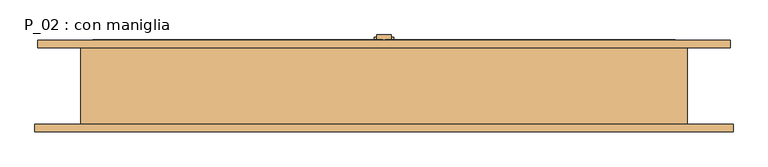
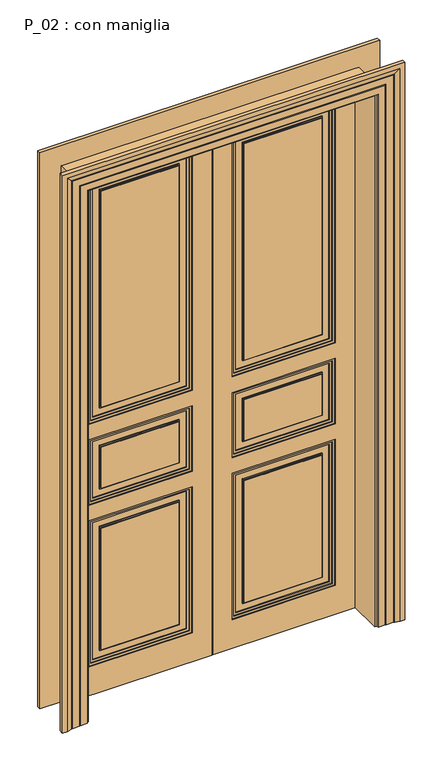
"""IFC4 building model written with IfcOpenShell, lengths in millimetres: door geometry, P_02 : con maniglia."""

from ifc_helpers import new_model, si_unit, frame, origin, origin_with_axes, place, context, project, spatial, polyline, outline, extrude, faceted_brep, source, transform, mapped, element, save


def p_02_con_maniglia_dd6362c5(model_context):
    return source(origin(), model_context, "Body", "SolidModel", [
        extrude(outline(polyline([(0.0, -615.0), (0.0, -610.0), (2395.0, -610.0), (2395.0, -2.5), (2400.0, -2.5), (2400.0, -615.0), (0.0, -615.0)])), frame((0.0, 85.0, 0.0), z_axis=(0.0, 1.0, 0.0), x_axis=(0.0, 0.0, 1.0)), (0.0, 0.0, 1.0), 5.0),
        extrude(outline(polyline([(0.0, 610.0), (0.0, 615.0), (2400.0, 615.0), (2400.0, 2.5), (2395.0, 2.5), (2395.0, 610.0), (0.0, 610.0)])), frame((0.0, 85.0, 0.0), z_axis=(0.0, 1.0, 0.0), x_axis=(0.0, 0.0, 1.0)), (0.0, 0.0, 1.0), 5.0),
        extrude(outline(polyline([(2.5, 97.0), (20.0, 97.0), (20.0, 90.0), (2.5, 90.0), (2.5, 97.0)])), frame((0.0, 0.0, 2395.0), z_axis=(0.0, 0.0, 1.0), x_axis=(1.0, 0.0, 0.0)), (0.0, 0.0, 1.0), 5.0),
        extrude(outline(polyline([(-2.5, 97.0), (-2.5, 90.0), (-20.0, 90.0), (-20.0, 97.0), (-2.5, 97.0)])), frame((0.0, 0.0, 2395.0), z_axis=(0.0, 0.0, 1.0), x_axis=(1.0, 0.0, 0.0)), (0.0, 0.0, 1.0), 5.0),
        extrude(outline(polyline([(2.5, 97.0), (20.0, 97.0), (20.0, 90.0), (2.5, 90.0), (2.5, 97.0)])), frame((0.0, 0.0, 2395.0), z_axis=(0.0, 0.0, 1.0), x_axis=(1.0, 0.0, 0.0)), (0.0, 0.0, 1.0), 5.0),
        extrude(outline(polyline([(-2.5, 97.0), (-2.5, 90.0), (-20.0, 90.0), (-20.0, 97.0), (-2.5, 97.0)])), frame((0.0, 0.0, 2395.0), z_axis=(0.0, 0.0, 1.0), x_axis=(1.0, 0.0, 0.0)), (0.0, 0.0, 1.0), 5.0),
        extrude(outline(polyline([(15.0, 97.0), (-15.0, 97.0), (-15.0, 107.0), (15.0, 107.0), (15.0, 97.0)])), origin_with_axes(), (0.0, 0.0, 1.0), 2400.0),
        extrude(outline(polyline([(20.0, 97.0), (15.0, 97.0), (15.0, 102.0), (20.0, 102.0), (20.0, 97.0)])), origin_with_axes(), (0.0, 0.0, 1.0), 2400.0),
        extrude(outline(polyline([(-15.0, 97.0), (-20.0, 97.0), (-20.0, 102.0), (-15.0, 102.0), (-15.0, 97.0)])), origin_with_axes(), (0.0, 0.0, 1.0), 2400.0),
        extrude(outline(polyline([(-470.0, 75.0), (-140.0, 75.0), (-140.0, 67.0), (-470.0, 67.0), (-470.0, 75.0)])), frame((0.0, 0.0, 185.0), z_axis=(0.0, 0.0, 1.0), x_axis=(1.0, 0.0, 0.0)), (0.0, 0.0, 1.0), 550.0),
        extrude(outline(polyline([(-470.0, 75.0), (-140.0, 75.0), (-140.0, 67.0), (-470.0, 67.0), (-470.0, 75.0)])), frame((0.0, 0.0, 915.0), z_axis=(0.0, 0.0, 1.0), x_axis=(1.0, 0.0, 0.0)), (0.0, 0.0, 1.0), 185.0),
        extrude(outline(polyline([(-470.0, 75.0), (-140.0, 75.0), (-140.0, 67.0), (-470.0, 67.0), (-470.0, 75.0)])), frame((0.0, 0.0, 1280.0), z_axis=(0.0, 0.0, 1.0), x_axis=(1.0, 0.0, 0.0)), (0.0, 0.0, 1.0), 975.0),
        extrude(outline(polyline([(2300.0, -95.0), (2300.0, -515.0), (1235.0, -515.0), (1235.0, -95.0), (2300.0, -95.0)]), holes=[polyline([(2290.0, -105.0), (1245.0, -105.0), (1245.0, -505.0), (2290.0, -505.0), (2290.0, -105.0)])]), frame((0.0, 71.0, 0.0), z_axis=(0.0, 1.0, 0.0), x_axis=(0.0, 0.0, 1.0)), (0.0, 0.0, 1.0), 4.0),
        extrude(outline(polyline([(780.0, -95.0), (780.0, -515.0), (140.0, -515.0), (140.0, -95.0), (780.0, -95.0)]), holes=[polyline([(770.0, -105.0), (150.0, -105.0), (150.0, -505.0), (770.0, -505.0), (770.0, -105.0)])]), frame((0.0, 71.0, 0.0), z_axis=(0.0, 1.0, 0.0), x_axis=(0.0, 0.0, 1.0)), (0.0, 0.0, 1.0), 4.0),
        extrude(outline(polyline([(740.0, -135.0), (740.0, -475.0), (180.0, -475.0), (180.0, -135.0), (740.0, -135.0)]), holes=[polyline([(735.0, -140.0), (185.0, -140.0), (185.0, -470.0), (735.0, -470.0), (735.0, -140.0)])]), frame((0.0, 71.0, 0.0), z_axis=(0.0, 1.0, 0.0), x_axis=(0.0, 0.0, 1.0)), (0.0, 0.0, 1.0), 4.0),
        extrude(outline(polyline([(1145.0, -95.0), (1145.0, -515.0), (870.0, -515.0), (870.0, -95.0), (1145.0, -95.0)]), holes=[polyline([(1135.0, -105.0), (880.0, -105.0), (880.0, -505.0), (1135.0, -505.0), (1135.0, -105.0)])]), frame((0.0, 71.0, 0.0), z_axis=(0.0, 1.0, 0.0), x_axis=(0.0, 0.0, 1.0)), (0.0, 0.0, 1.0), 4.0),
        extrude(outline(polyline([(1105.0, -135.0), (1105.0, -475.0), (910.0, -475.0), (910.0, -135.0), (1105.0, -135.0)]), holes=[polyline([(1100.0, -140.0), (915.0, -140.0), (915.0, -470.0), (1100.0, -470.0), (1100.0, -140.0)])]), frame((0.0, 71.0, 0.0), z_axis=(0.0, 1.0, 0.0), x_axis=(0.0, 0.0, 1.0)), (0.0, 0.0, 1.0), 4.0),
        extrude(outline(polyline([(2260.0, -135.0), (2260.0, -475.0), (1275.0, -475.0), (1275.0, -135.0), (2260.0, -135.0)]), holes=[polyline([(2255.0, -140.0), (1280.0, -140.0), (1280.0, -470.0), (2255.0, -470.0), (2255.0, -140.0)])]), frame((0.0, 71.0, 0.0), z_axis=(0.0, 1.0, 0.0), x_axis=(0.0, 0.0, 1.0)), (0.0, 0.0, 1.0), 4.0),
        extrude(outline(polyline([(1225.0, -85.0), (2310.0, -85.0), (2310.0, -525.0), (1225.0, -525.0), (1225.0, -85.0)]), holes=[polyline([(2300.0, -95.0), (1235.0, -95.0), (1235.0, -515.0), (2300.0, -515.0), (2300.0, -95.0)])]), frame((0.0, 67.0, 0.0), z_axis=(0.0, 1.0, 0.0), x_axis=(0.0, 0.0, 1.0)), (0.0, 0.0, 1.0), 8.0),
        extrude(outline(polyline([(130.0, -525.0), (130.0, -85.0), (790.0, -85.0), (790.0, -525.0), (130.0, -525.0)]), holes=[polyline([(780.0, -95.0), (140.0, -95.0), (140.0, -515.0), (780.0, -515.0), (780.0, -95.0)])]), frame((0.0, 67.0, 0.0), z_axis=(0.0, 1.0, 0.0), x_axis=(0.0, 0.0, 1.0)), (0.0, 0.0, 1.0), 8.0),
        extrude(outline(polyline([(1155.0, -85.0), (1155.0, -525.0), (860.0, -525.0), (860.0, -85.0), (1155.0, -85.0)]), holes=[polyline([(870.0, -95.0), (870.0, -515.0), (1145.0, -515.0), (1145.0, -95.0), (870.0, -95.0)])]), frame((0.0, 67.0, 0.0), z_axis=(0.0, 1.0, 0.0), x_axis=(0.0, 0.0, 1.0)), (0.0, 0.0, 1.0), 8.0),
        extrude(outline(polyline([(0.0, -610.0), (0.0, -2.5), (2395.0, -2.5), (2395.0, -610.0), (0.0, -610.0)]), holes=[polyline([(1225.0, -85.0), (1225.0, -525.0), (2310.0, -525.0), (2310.0, -85.0), (1225.0, -85.0)]), polyline([(130.0, -85.0), (130.0, -525.0), (790.0, -525.0), (790.0, -85.0), (130.0, -85.0)]), polyline([(1155.0, -525.0), (1155.0, -85.0), (860.0, -85.0), (860.0, -525.0), (1155.0, -525.0)])]), frame((0.0, 63.0, 0.0), z_axis=(0.0, 1.0, 0.0), x_axis=(0.0, 0.0, 1.0)), (0.0, 0.0, 1.0), 12.0),
        extrude(outline(polyline([(140.0, 75.0), (470.0, 75.0), (470.0, 67.0), (140.0, 67.0), (140.0, 75.0)])), frame((0.0, 0.0, 185.0), z_axis=(0.0, 0.0, 1.0), x_axis=(1.0, 0.0, 0.0)), (0.0, 0.0, 1.0), 550.0),
        extrude(outline(polyline([(140.0, 75.0), (470.0, 75.0), (470.0, 67.0), (140.0, 67.0), (140.0, 75.0)])), frame((0.0, 0.0, 915.0), z_axis=(0.0, 0.0, 1.0), x_axis=(1.0, 0.0, 0.0)), (0.0, 0.0, 1.0), 185.0),
        extrude(outline(polyline([(140.0, 75.0), (470.0, 75.0), (470.0, 67.0), (140.0, 67.0), (140.0, 75.0)])), frame((0.0, 0.0, 1280.0), z_axis=(0.0, 0.0, 1.0), x_axis=(1.0, 0.0, 0.0)), (0.0, 0.0, 1.0), 975.0),
        extrude(outline(polyline([(2300.0, 95.0), (1235.0, 95.0), (1235.0, 515.0), (2300.0, 515.0), (2300.0, 95.0)]), holes=[polyline([(2290.0, 105.0), (2290.0, 505.0), (1245.0, 505.0), (1245.0, 105.0), (2290.0, 105.0)])]), frame((0.0, 71.0, 0.0), z_axis=(0.0, 1.0, 0.0), x_axis=(0.0, 0.0, 1.0)), (0.0, 0.0, 1.0), 4.0),
        extrude(outline(polyline([(780.0, 95.0), (140.0, 95.0), (140.0, 515.0), (780.0, 515.0), (780.0, 95.0)]), holes=[polyline([(770.0, 105.0), (770.0, 505.0), (150.0, 505.0), (150.0, 105.0), (770.0, 105.0)])]), frame((0.0, 71.0, 0.0), z_axis=(0.0, 1.0, 0.0), x_axis=(0.0, 0.0, 1.0)), (0.0, 0.0, 1.0), 4.0),
        extrude(outline(polyline([(740.0, 135.0), (180.0, 135.0), (180.0, 475.0), (740.0, 475.0), (740.0, 135.0)]), holes=[polyline([(735.0, 140.0), (735.0, 470.0), (185.0, 470.0), (185.0, 140.0), (735.0, 140.0)])]), frame((0.0, 71.0, 0.0), z_axis=(0.0, 1.0, 0.0), x_axis=(0.0, 0.0, 1.0)), (0.0, 0.0, 1.0), 4.0),
        extrude(outline(polyline([(1145.0, 95.0), (870.0, 95.0), (870.0, 515.0), (1145.0, 515.0), (1145.0, 95.0)]), holes=[polyline([(1135.0, 105.0), (1135.0, 505.0), (880.0, 505.0), (880.0, 105.0), (1135.0, 105.0)])]), frame((0.0, 71.0, 0.0), z_axis=(0.0, 1.0, 0.0), x_axis=(0.0, 0.0, 1.0)), (0.0, 0.0, 1.0), 4.0),
        extrude(outline(polyline([(1105.0, 135.0), (910.0, 135.0), (910.0, 475.0), (1105.0, 475.0), (1105.0, 135.0)]), holes=[polyline([(1100.0, 140.0), (1100.0, 470.0), (915.0, 470.0), (915.0, 140.0), (1100.0, 140.0)])]), frame((0.0, 71.0, 0.0), z_axis=(0.0, 1.0, 0.0), x_axis=(0.0, 0.0, 1.0)), (0.0, 0.0, 1.0), 4.0),
        extrude(outline(polyline([(2260.0, 135.0), (1275.0, 135.0), (1275.0, 475.0), (2260.0, 475.0), (2260.0, 135.0)]), holes=[polyline([(2255.0, 140.0), (2255.0, 470.0), (1280.0, 470.0), (1280.0, 140.0), (2255.0, 140.0)])]), frame((0.0, 71.0, 0.0), z_axis=(0.0, 1.0, 0.0), x_axis=(0.0, 0.0, 1.0)), (0.0, 0.0, 1.0), 4.0),
        extrude(outline(polyline([(1225.0, 85.0), (1225.0, 525.0), (2310.0, 525.0), (2310.0, 85.0), (1225.0, 85.0)]), holes=[polyline([(2300.0, 95.0), (2300.0, 515.0), (1235.0, 515.0), (1235.0, 95.0), (2300.0, 95.0)])]), frame((0.0, 67.0, 0.0), z_axis=(0.0, 1.0, 0.0), x_axis=(0.0, 0.0, 1.0)), (0.0, 0.0, 1.0), 8.0),
        extrude(outline(polyline([(130.0, 525.0), (790.0, 525.0), (790.0, 85.0), (130.0, 85.0), (130.0, 525.0)]), holes=[polyline([(780.0, 95.0), (780.0, 515.0), (140.0, 515.0), (140.0, 95.0), (780.0, 95.0)])]), frame((0.0, 67.0, 0.0), z_axis=(0.0, 1.0, 0.0), x_axis=(0.0, 0.0, 1.0)), (0.0, 0.0, 1.0), 8.0),
        extrude(outline(polyline([(1155.0, 85.0), (860.0, 85.0), (860.0, 525.0), (1155.0, 525.0), (1155.0, 85.0)]), holes=[polyline([(870.0, 95.0), (1145.0, 95.0), (1145.0, 515.0), (870.0, 515.0), (870.0, 95.0)])]), frame((0.0, 67.0, 0.0), z_axis=(0.0, 1.0, 0.0), x_axis=(0.0, 0.0, 1.0)), (0.0, 0.0, 1.0), 8.0),
        extrude(outline(polyline([(0.0, 610.0), (2395.0, 610.0), (2395.0, 2.5), (0.0, 2.5), (0.0, 610.0)]), holes=[polyline([(1225.0, 85.0), (2310.0, 85.0), (2310.0, 525.0), (1225.0, 525.0), (1225.0, 85.0)]), polyline([(130.0, 85.0), (790.0, 85.0), (790.0, 525.0), (130.0, 525.0), (130.0, 85.0)]), polyline([(1155.0, 525.0), (860.0, 525.0), (860.0, 85.0), (1155.0, 85.0), (1155.0, 525.0)])]), frame((0.0, 63.0, 0.0), z_axis=(0.0, 1.0, 0.0), x_axis=(0.0, 0.0, 1.0)), (0.0, 0.0, 1.0), 12.0),
        extrude(outline(polyline([(-140.0, 85.0), (-470.0, 85.0), (-470.0, 93.0), (-140.0, 93.0), (-140.0, 85.0)])), frame((0.0, 0.0, 185.0), z_axis=(0.0, 0.0, 1.0), x_axis=(1.0, 0.0, 0.0)), (0.0, 0.0, 1.0), 550.0),
        extrude(outline(polyline([(-140.0, 85.0), (-470.0, 85.0), (-470.0, 93.0), (-140.0, 93.0), (-140.0, 85.0)])), frame((0.0, 0.0, 915.0), z_axis=(0.0, 0.0, 1.0), x_axis=(1.0, 0.0, 0.0)), (0.0, 0.0, 1.0), 185.0),
        extrude(outline(polyline([(-140.0, 85.0), (-470.0, 85.0), (-470.0, 93.0), (-140.0, 93.0), (-140.0, 85.0)])), frame((0.0, 0.0, 1280.0), z_axis=(0.0, 0.0, 1.0), x_axis=(1.0, 0.0, 0.0)), (0.0, 0.0, 1.0), 975.0),
        extrude(outline(polyline([(2300.0, -95.0), (2300.0, -515.0), (1235.0, -515.0), (1235.0, -95.0), (2300.0, -95.0)]), holes=[polyline([(2290.0, -105.0), (1245.0, -105.0), (1245.0, -505.0), (2290.0, -505.0), (2290.0, -105.0)])]), frame((0.0, 85.0, 0.0), z_axis=(0.0, 1.0, 0.0), x_axis=(0.0, 0.0, 1.0)), (0.0, 0.0, 1.0), 4.0),
        extrude(outline(polyline([(780.0, -95.0), (780.0, -515.0), (140.0, -515.0), (140.0, -95.0), (780.0, -95.0)]), holes=[polyline([(770.0, -105.0), (150.0, -105.0), (150.0, -505.0), (770.0, -505.0), (770.0, -105.0)])]), frame((0.0, 85.0, 0.0), z_axis=(0.0, 1.0, 0.0), x_axis=(0.0, 0.0, 1.0)), (0.0, 0.0, 1.0), 4.0),
        extrude(outline(polyline([(740.0, -135.0), (740.0, -475.0), (180.0, -475.0), (180.0, -135.0), (740.0, -135.0)]), holes=[polyline([(735.0, -140.0), (185.0, -140.0), (185.0, -470.0), (735.0, -470.0), (735.0, -140.0)])]), frame((0.0, 85.0, 0.0), z_axis=(0.0, 1.0, 0.0), x_axis=(0.0, 0.0, 1.0)), (0.0, 0.0, 1.0), 4.0),
        extrude(outline(polyline([(1145.0, -95.0), (1145.0, -515.0), (870.0, -515.0), (870.0, -95.0), (1145.0, -95.0)]), holes=[polyline([(1135.0, -105.0), (880.0, -105.0), (880.0, -505.0), (1135.0, -505.0), (1135.0, -105.0)])]), frame((0.0, 85.0, 0.0), z_axis=(0.0, 1.0, 0.0), x_axis=(0.0, 0.0, 1.0)), (0.0, 0.0, 1.0), 4.0),
        extrude(outline(polyline([(1105.0, -135.0), (1105.0, -475.0), (910.0, -475.0), (910.0, -135.0), (1105.0, -135.0)]), holes=[polyline([(1100.0, -140.0), (915.0, -140.0), (915.0, -470.0), (1100.0, -470.0), (1100.0, -140.0)])]), frame((0.0, 85.0, 0.0), z_axis=(0.0, 1.0, 0.0), x_axis=(0.0, 0.0, 1.0)), (0.0, 0.0, 1.0), 4.0),
        extrude(outline(polyline([(2260.0, -135.0), (2260.0, -475.0), (1275.0, -475.0), (1275.0, -135.0), (2260.0, -135.0)]), holes=[polyline([(2255.0, -140.0), (1280.0, -140.0), (1280.0, -470.0), (2255.0, -470.0), (2255.0, -140.0)])]), frame((0.0, 85.0, 0.0), z_axis=(0.0, 1.0, 0.0), x_axis=(0.0, 0.0, 1.0)), (0.0, 0.0, 1.0), 4.0),
        extrude(outline(polyline([(1225.0, -85.0), (2310.0, -85.0), (2310.0, -525.0), (1225.0, -525.0), (1225.0, -85.0)]), holes=[polyline([(2300.0, -95.0), (1235.0, -95.0), (1235.0, -515.0), (2300.0, -515.0), (2300.0, -95.0)])]), frame((0.0, 85.0, 0.0), z_axis=(0.0, 1.0, 0.0), x_axis=(0.0, 0.0, 1.0)), (0.0, 0.0, 1.0), 8.0),
        extrude(outline(polyline([(130.0, -525.0), (130.0, -85.0), (790.0, -85.0), (790.0, -525.0), (130.0, -525.0)]), holes=[polyline([(780.0, -95.0), (140.0, -95.0), (140.0, -515.0), (780.0, -515.0), (780.0, -95.0)])]), frame((0.0, 85.0, 0.0), z_axis=(0.0, 1.0, 0.0), x_axis=(0.0, 0.0, 1.0)), (0.0, 0.0, 1.0), 8.0),
        extrude(outline(polyline([(1155.0, -85.0), (1155.0, -525.0), (860.0, -525.0), (860.0, -85.0), (1155.0, -85.0)]), holes=[polyline([(870.0, -95.0), (870.0, -515.0), (1145.0, -515.0), (1145.0, -95.0), (870.0, -95.0)])]), frame((0.0, 85.0, 0.0), z_axis=(0.0, 1.0, 0.0), x_axis=(0.0, 0.0, 1.0)), (0.0, 0.0, 1.0), 8.0),
        extrude(outline(polyline([(0.0, -610.0), (0.0, -2.5), (2395.0, -2.5), (2395.0, -610.0), (0.0, -610.0)]), holes=[polyline([(1225.0, -85.0), (1225.0, -525.0), (2310.0, -525.0), (2310.0, -85.0), (1225.0, -85.0)]), polyline([(130.0, -85.0), (130.0, -525.0), (790.0, -525.0), (790.0, -85.0), (130.0, -85.0)]), polyline([(1155.0, -525.0), (1155.0, -85.0), (860.0, -85.0), (860.0, -525.0), (1155.0, -525.0)])]), frame((0.0, 85.0, 0.0), z_axis=(0.0, 1.0, 0.0), x_axis=(0.0, 0.0, 1.0)), (0.0, 0.0, 1.0), 12.0),
        extrude(outline(polyline([(0.0, -615.0), (0.0, -610.0), (2395.0, -610.0), (2395.0, -2.5), (2400.0, -2.5), (2400.0, -615.0), (0.0, -615.0)])), frame((0.0, 85.0, 0.0), z_axis=(0.0, 1.0, 0.0), x_axis=(0.0, 0.0, 1.0)), (0.0, 0.0, 1.0), 5.0),
        extrude(outline(polyline([(-2.5, 75.0), (-615.0, 75.0), (-615.0, 85.0), (-2.5, 85.0), (-2.5, 75.0)])), origin_with_axes(), (0.0, 0.0, 1.0), 2400.0),
        extrude(outline(polyline([(615.0, 75.0), (2.5, 75.0), (2.5, 85.0), (615.0, 85.0), (615.0, 75.0)])), origin_with_axes(), (0.0, 0.0, 1.0), 2400.0),
        extrude(outline(polyline([(470.0, 85.0), (140.0, 85.0), (140.0, 93.0), (470.0, 93.0), (470.0, 85.0)])), frame((0.0, 0.0, 185.0), z_axis=(0.0, 0.0, 1.0), x_axis=(1.0, 0.0, 0.0)), (0.0, 0.0, 1.0), 550.0),
        extrude(outline(polyline([(470.0, 85.0), (140.0, 85.0), (140.0, 93.0), (470.0, 93.0), (470.0, 85.0)])), frame((0.0, 0.0, 915.0), z_axis=(0.0, 0.0, 1.0), x_axis=(1.0, 0.0, 0.0)), (0.0, 0.0, 1.0), 185.0),
        extrude(outline(polyline([(470.0, 85.0), (140.0, 85.0), (140.0, 93.0), (470.0, 93.0), (470.0, 85.0)])), frame((0.0, 0.0, 1280.0), z_axis=(0.0, 0.0, 1.0), x_axis=(1.0, 0.0, 0.0)), (0.0, 0.0, 1.0), 975.0),
        extrude(outline(polyline([(2300.0, 95.0), (1235.0, 95.0), (1235.0, 515.0), (2300.0, 515.0), (2300.0, 95.0)]), holes=[polyline([(2290.0, 105.0), (2290.0, 505.0), (1245.0, 505.0), (1245.0, 105.0), (2290.0, 105.0)])]), frame((0.0, 85.0, 0.0), z_axis=(0.0, 1.0, 0.0), x_axis=(0.0, 0.0, 1.0)), (0.0, 0.0, 1.0), 4.0),
        extrude(outline(polyline([(780.0, 95.0), (140.0, 95.0), (140.0, 515.0), (780.0, 515.0), (780.0, 95.0)]), holes=[polyline([(770.0, 105.0), (770.0, 505.0), (150.0, 505.0), (150.0, 105.0), (770.0, 105.0)])]), frame((0.0, 85.0, 0.0), z_axis=(0.0, 1.0, 0.0), x_axis=(0.0, 0.0, 1.0)), (0.0, 0.0, 1.0), 4.0),
        extrude(outline(polyline([(740.0, 135.0), (180.0, 135.0), (180.0, 475.0), (740.0, 475.0), (740.0, 135.0)]), holes=[polyline([(735.0, 140.0), (735.0, 470.0), (185.0, 470.0), (185.0, 140.0), (735.0, 140.0)])]), frame((0.0, 85.0, 0.0), z_axis=(0.0, 1.0, 0.0), x_axis=(0.0, 0.0, 1.0)), (0.0, 0.0, 1.0), 4.0),
        extrude(outline(polyline([(1145.0, 95.0), (870.0, 95.0), (870.0, 515.0), (1145.0, 515.0), (1145.0, 95.0)]), holes=[polyline([(1135.0, 105.0), (1135.0, 505.0), (880.0, 505.0), (880.0, 105.0), (1135.0, 105.0)])]), frame((0.0, 85.0, 0.0), z_axis=(0.0, 1.0, 0.0), x_axis=(0.0, 0.0, 1.0)), (0.0, 0.0, 1.0), 4.0),
        extrude(outline(polyline([(1105.0, 135.0), (910.0, 135.0), (910.0, 475.0), (1105.0, 475.0), (1105.0, 135.0)]), holes=[polyline([(1100.0, 140.0), (1100.0, 470.0), (915.0, 470.0), (915.0, 140.0), (1100.0, 140.0)])]), frame((0.0, 85.0, 0.0), z_axis=(0.0, 1.0, 0.0), x_axis=(0.0, 0.0, 1.0)), (0.0, 0.0, 1.0), 4.0),
        extrude(outline(polyline([(2260.0, 135.0), (1275.0, 135.0), (1275.0, 475.0), (2260.0, 475.0), (2260.0, 135.0)]), holes=[polyline([(2255.0, 140.0), (2255.0, 470.0), (1280.0, 470.0), (1280.0, 140.0), (2255.0, 140.0)])]), frame((0.0, 85.0, 0.0), z_axis=(0.0, 1.0, 0.0), x_axis=(0.0, 0.0, 1.0)), (0.0, 0.0, 1.0), 4.0),
        extrude(outline(polyline([(1225.0, 85.0), (1225.0, 525.0), (2310.0, 525.0), (2310.0, 85.0), (1225.0, 85.0)]), holes=[polyline([(2300.0, 95.0), (2300.0, 515.0), (1235.0, 515.0), (1235.0, 95.0), (2300.0, 95.0)])]), frame((0.0, 85.0, 0.0), z_axis=(0.0, 1.0, 0.0), x_axis=(0.0, 0.0, 1.0)), (0.0, 0.0, 1.0), 8.0),
        extrude(outline(polyline([(130.0, 525.0), (790.0, 525.0), (790.0, 85.0), (130.0, 85.0), (130.0, 525.0)]), holes=[polyline([(780.0, 95.0), (780.0, 515.0), (140.0, 515.0), (140.0, 95.0), (780.0, 95.0)])]), frame((0.0, 85.0, 0.0), z_axis=(0.0, 1.0, 0.0), x_axis=(0.0, 0.0, 1.0)), (0.0, 0.0, 1.0), 8.0),
        extrude(outline(polyline([(1155.0, 85.0), (860.0, 85.0), (860.0, 525.0), (1155.0, 525.0), (1155.0, 85.0)]), holes=[polyline([(870.0, 95.0), (1145.0, 95.0), (1145.0, 515.0), (870.0, 515.0), (870.0, 95.0)])]), frame((0.0, 85.0, 0.0), z_axis=(0.0, 1.0, 0.0), x_axis=(0.0, 0.0, 1.0)), (0.0, 0.0, 1.0), 8.0),
        extrude(outline(polyline([(0.0, 610.0), (2395.0, 610.0), (2395.0, 2.5), (0.0, 2.5), (0.0, 610.0)]), holes=[polyline([(1225.0, 85.0), (2310.0, 85.0), (2310.0, 525.0), (1225.0, 525.0), (1225.0, 85.0)]), polyline([(130.0, 85.0), (790.0, 85.0), (790.0, 525.0), (130.0, 525.0), (130.0, 85.0)]), polyline([(1155.0, 525.0), (860.0, 525.0), (860.0, 85.0), (1155.0, 85.0), (1155.0, 525.0)])]), frame((0.0, 85.0, 0.0), z_axis=(0.0, 1.0, 0.0), x_axis=(0.0, 0.0, 1.0)), (0.0, 0.0, 1.0), 12.0),
        extrude(outline(polyline([(0.0, 610.0), (0.0, 615.0), (2400.0, 615.0), (2400.0, 2.5), (2395.0, 2.5), (2395.0, 610.0), (0.0, 610.0)])), frame((0.0, 85.0, 0.0), z_axis=(0.0, 1.0, 0.0), x_axis=(0.0, 0.0, 1.0)), (0.0, 0.0, 1.0), 5.0),
        faceted_brep([(725.0, 80.0, 0.0), (635.0, 80.0, 0.0), (635.0, -80.0, 0.0), (731.0, -80.0, 0.0), (731.0, -96.0, 0.0), (711.0, -96.0, 0.0), (691.0, -92.0291126, 0.0), (691.0, -91.0291126, 0.0), (686.0, -91.0291126, 0.0), (686.0, -90.0291126, 0.0), (656.0, -90.0291126, 0.0), (656.0, -89.0291126, 0.0), (651.0, -89.0291126, 0.0), (651.0, -88.0291126, 0.0), (621.0, -88.0291126, 0.0), (621.0, -80.0, 0.0), (611.0, -80.0, 0.0), (611.0, 80.0, 0.0), (621.0, 80.0, 0.0), (621.0, 88.0291126, 0.0), (651.0, 88.0291126, 0.0), (651.0, 89.0291126, 0.0), (656.0, 89.0291126, 0.0), (656.0, 90.0291126, 0.0), (680.0, 90.0291126, 0.0), (680.0, 91.0291126, 0.0), (685.0, 91.0291126, 0.0), (685.0, 92.0291126, 0.0), (705.0, 96.0, 0.0), (725.0, 96.0, 0.0), (725.0, 80.0, 2510.0), (-725.0, 80.0, 2510.0), (-725.0, 80.0, 0.0), (-635.0, 80.0, 0.0), (-635.0, 80.0, 2420.0), (635.0, 80.0, 2420.0), (635.0, -80.0, 2420.0), (-635.0, -80.0, 2420.0), (-635.0, -80.0, 0.0), (-731.0, -80.0, 0.0), (-731.0, -80.0, 2516.0), (731.0, -80.0, 2516.0), (731.0, -96.0, 2516.0), (-731.0, -96.0, 2516.0), (-731.0, -96.0, 0.0), (-711.0, -96.0, 0.0), (-711.0, -96.0, 2496.0), (711.0, -96.0, 2496.0), (691.0, -92.0291126, 2476.0), (691.0, -91.0291126, 2476.0), (-691.0, -91.0291126, 2476.0), (-691.0, -91.0291126, 0.0), (-686.0, -91.0291126, 0.0), (-686.0, -91.0291126, 2471.0), (686.0, -91.0291126, 2471.0), (686.0, -90.0291126, 2471.0), (-686.0, -90.0291126, 2471.0), (-686.0, -90.0291126, 0.0), (-656.0, -90.0291126, 0.0), (-656.0, -90.0291126, 2441.0), (656.0, -90.0291126, 2441.0), (656.0, -89.0291126, 2441.0), (-656.0, -89.0291126, 2441.0), (-656.0, -89.0291126, 0.0), (-651.0, -89.0291126, 0.0), (-651.0, -89.0291126, 2436.0), (651.0, -89.0291126, 2436.0), (651.0, -88.0291126, 2436.0), (-651.0, -88.0291126, 2436.0), (-651.0, -88.0291126, 0.0), (-621.0, -88.0291126, 0.0), (-621.0, -88.0291126, 2406.0), (621.0, -88.0291126, 2406.0), (621.0, -80.0, 2406.0), (-621.0, -80.0, 2406.0), (-621.0, -80.0, 0.0), (-611.0, -80.0, 0.0), (-611.0, -80.0, 2396.0), (611.0, -80.0, 2396.0), (611.0, 80.0, 2396.0), (-611.0, 80.0, 2396.0), (-611.0, 80.0, 0.0), (-621.0, 80.0, 0.0), (-621.0, 80.0, 2406.0), (621.0, 80.0, 2406.0), (621.0, 88.0291126, 2406.0), (-621.0, 88.0291126, 2406.0), (-621.0, 88.0291126, 0.0), (-651.0, 88.0291126, 0.0), (-651.0, 88.0291126, 2436.0), (651.0, 88.0291126, 2436.0), (651.0, 89.0291126, 2436.0), (-651.0, 89.0291126, 2436.0), (-651.0, 89.0291126, 0.0), (-656.0, 89.0291126, 0.0), (-656.0, 89.0291126, 2441.0), (656.0, 89.0291126, 2441.0), (656.0, 90.0291126, 2441.0), (-656.0, 90.0291126, 2441.0), (-656.0, 90.0291126, 0.0), (-680.0, 90.0291126, 0.0), (-680.0, 90.0291126, 2465.0), (680.0, 90.0291126, 2465.0), (680.0, 91.0291126, 2465.0), (-680.0, 91.0291126, 2465.0), (-680.0, 91.0291126, 0.0), (-685.0, 91.0291126, 0.0), (-685.0, 91.0291126, 2470.0), (685.0, 91.0291126, 2470.0), (685.0, 92.0291126, 2470.0), (705.0, 96.0, 2490.0), (-705.0, 96.0, 2490.0), (-705.0, 96.0, 0.0), (-725.0, 96.0, 0.0), (-725.0, 96.0, 2510.0), (725.0, 96.0, 2510.0), (-685.0, 92.0291126, 0.0), (-691.0, -92.0291126, 0.0), (-685.0, 92.0291126, 2470.0), (-691.0, -92.0291126, 2476.0)], [[[0, 1, 2, 3, 4, 5, 6, 7, 8, 9, 10, 11, 12, 13, 14, 15, 16, 17, 18, 19, 20, 21, 22, 23, 24, 25, 26, 27, 28, 29]], [[1, 0, 30, 31, 32, 33, 34, 35]], [[2, 1, 35, 36]], [[3, 2, 36, 37, 38, 39, 40, 41]], [[4, 3, 41, 42]], [[5, 4, 42, 43, 44, 45, 46, 47]], [[6, 5, 47, 48]], [[7, 6, 48, 49]], [[8, 7, 49, 50, 51, 52, 53, 54]], [[9, 8, 54, 55]], [[10, 9, 55, 56, 57, 58, 59, 60]], [[11, 10, 60, 61]], [[12, 11, 61, 62, 63, 64, 65, 66]], [[13, 12, 66, 67]], [[14, 13, 67, 68, 69, 70, 71, 72]], [[15, 14, 72, 73]], [[16, 15, 73, 74, 75, 76, 77, 78]], [[17, 16, 78, 79]], [[18, 17, 79, 80, 81, 82, 83, 84]], [[19, 18, 84, 85]], [[20, 19, 85, 86, 87, 88, 89, 90]], [[21, 20, 90, 91]], [[22, 21, 91, 92, 93, 94, 95, 96]], [[23, 22, 96, 97]], [[24, 23, 97, 98, 99, 100, 101, 102]], [[25, 24, 102, 103]], [[26, 25, 103, 104, 105, 106, 107, 108]], [[27, 26, 108, 109]], [[28, 27, 109, 110]], [[29, 28, 110, 111, 112, 113, 114, 115]], [[0, 29, 115, 30]], [[31, 114, 113, 32]], [[32, 113, 112, 116, 106, 105, 100, 99, 94, 93, 88, 87, 82, 81, 76, 75, 70, 69, 64, 63, 58, 57, 52, 51, 117, 45, 44, 39, 38, 33]], [[37, 34, 33, 38]], [[74, 71, 70, 75]], [[80, 77, 76, 81]], [[86, 83, 82, 87]], [[111, 118, 116, 112]], [[118, 107, 106, 116]], [[104, 101, 100, 105]], [[98, 95, 94, 99]], [[92, 89, 88, 93]], [[68, 65, 64, 69]], [[62, 59, 58, 63]], [[56, 53, 52, 57]], [[50, 119, 117, 51]], [[119, 46, 45, 117]], [[43, 40, 39, 44]], [[30, 115, 114, 31]], [[36, 35, 34, 37]], [[73, 72, 71, 74]], [[79, 78, 77, 80]], [[85, 84, 83, 86]], [[91, 90, 89, 92]], [[97, 96, 95, 98]], [[103, 102, 101, 104]], [[109, 108, 107, 118]], [[110, 109, 118, 111]], [[42, 41, 40, 43]], [[48, 47, 46, 119]], [[49, 48, 119, 50]], [[55, 54, 53, 56]], [[61, 60, 59, 62]], [[67, 66, 65, 68]]]),
    ])


if __name__ == "__main__":
    model = new_model("IFC4")
    model_context = context("Model", 3, world=origin())
    ifc_project = project(units=[si_unit("LENGTHUNIT", "METRE", prefix="MILLI")], contexts=[model_context])
    site = spatial("IfcSite", under=ifc_project)
    building = spatial("IfcBuilding", under=site)
    placement = place(None, origin())
    p_02_con_maniglia_shape = p_02_con_maniglia_dd6362c5(model_context)
    element("IfcDoor", 1, ObjectType="P_02 : con maniglia", at=placement, inside=building, context=model_context, shape_type="MappedRepresentation", body=[
        mapped(p_02_con_maniglia_shape, transform((0.0, 0.0, 0.0), x_axis=(1.0, 0.0, 0.0), y_axis=(0.0, 1.0, 0.0), z_axis=(0.0, 0.0, 1.0))),
    ])
    save(model, "model.ifc")
